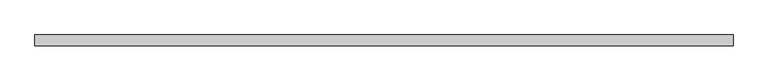
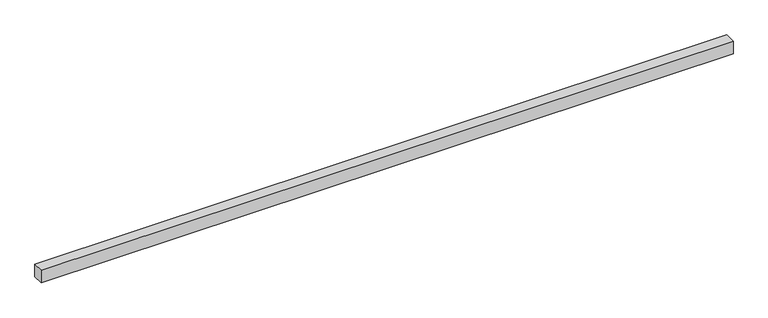
"""IFC4 building model written with IfcOpenShell, lengths in millimetres: proxy geometry."""

import ifcopenshell
import ifcopenshell.guid

model = None  # the IFC model being written
_history = None  # IfcOwnerHistory: only IFC2X3 demands one
_inside = {}  # id of a spatial element -> (the spatial element, [elements in it])
_under = {}  # id of a project, library or spatial element -> (it, [spatial elements below it])
_declared = {}  # id of a project -> (the project, [libraries it declares])
_typed = {}  # id of a type object -> (the type object, [elements of that type])
_made_of = {}  # id of a material, layer set ... -> (it, [elements and type objects made of it])


def new_model(schema):
    """Start an empty IFC model of exactly this schema.

    Asked for "IFC4X3", IfcOpenShell would pick the latest addendum, in which some entities
    have other attributes; the version numbers below select the first issue.
    IFC2X3 requires an IfcOwnerHistory on every rooted entity: one is made here for all.
    """
    global model, _history
    if schema == "IFC4X3":
        model = ifcopenshell.file(schema_version=(4, 3, 0, 0))
    else:
        model = ifcopenshell.file(schema=schema)
    _inside.clear()
    _under.clear()
    _declared.clear()
    _typed.clear()
    _made_of.clear()
    _history = None
    if model.schema == "IFC2X3":
        org = make("IfcOrganization", Name="unknown")
        user = make(
            "IfcPersonAndOrganization",
            ThePerson=make("IfcPerson", FamilyName="unknown"),
            TheOrganization=org,
        )
        app = make(
            "IfcApplication",
            ApplicationDeveloper=org,
            Version="unknown",
            ApplicationFullName="unknown",
            ApplicationIdentifier="unknown",
        )
        _history = make(
            "IfcOwnerHistory",
            OwningUser=user,
            OwningApplication=app,
            ChangeAction="ADDED",
            CreationDate=0,
        )
    return model


def make(cls, **values):
    """One entity of the class cls with the attributes given. An attribute that is None is left unset."""
    return model.create_entity(
        cls, **{name: value for name, value in values.items() if value is not None}
    )


def rooted(cls, **values):
    """An entity with a GlobalId (a new one), such as an element, a storey or a relation."""
    return make(cls, GlobalId=ifcopenshell.guid.new(), OwnerHistory=_history, **values)


def si_unit(unit_type, name, prefix=None):
    """IfcSIUnit, for example si_unit("LENGTHUNIT", "METRE", prefix="MILLI")."""
    return make("IfcSIUnit", UnitType=unit_type, Prefix=prefix, Name=name)


def assignment(units):
    """IfcUnitAssignment: the units of a project."""
    return None if units is None else make("IfcUnitAssignment", Units=units)


def point(xyz):
    """IfcCartesianPoint."""
    return None if xyz is None else make("IfcCartesianPoint", Coordinates=xyz)


def direction(xyz):
    """IfcDirection."""
    return None if xyz is None else make("IfcDirection", DirectionRatios=xyz)


def frame(location, z_axis=None, x_axis=None):
    """IfcAxis2Placement3D, a coordinate frame: its origin and axes. An axis left out is left unset."""
    return make(
        "IfcAxis2Placement3D",
        Location=point(location),
        Axis=direction(z_axis),
        RefDirection=direction(x_axis),
    )


def origin():
    """The frame at (0, 0, 0) with its axes left unset."""
    return frame((0.0, 0.0, 0.0))


def place(relative_to, where):
    """IfcLocalPlacement: puts the frame where relative to a parent placement (None: the world)."""
    return make(
        "IfcLocalPlacement", PlacementRelTo=relative_to, RelativePlacement=where
    )


def context(
    kind, dimensions, precision=None, world=None, true_north=None, identifier=None
):
    """IfcGeometricRepresentationContext, for example the 3D "Model" context."""
    return make(
        "IfcGeometricRepresentationContext",
        ContextIdentifier=identifier,
        ContextType=kind,
        CoordinateSpaceDimension=dimensions,
        Precision=precision,
        WorldCoordinateSystem=world,
        TrueNorth=true_north,
    )


def project(units=None, contexts=None):
    """IfcProject with its units and contexts."""
    return rooted(
        "IfcProject",
        Name="project",
        RepresentationContexts=contexts,
        UnitsInContext=assignment(units),
    )


def spatial(cls, under=None, at=None, **own):
    """A site, building, storey or space (cls), placed at a placement, below another one or the project."""
    s = rooted(cls, ObjectPlacement=at, **own)
    if under is not None:
        _under.setdefault(under.id(), (under, []))[1].append(s)
    return s


def polyline(points):
    """IfcPolyline through the points."""
    return make("IfcPolyline", Points=[point(p) for p in points])


def outline(outer, holes=None, kind="AREA"):
    """IfcArbitraryClosedProfileDef: a profile drawn as a closed curve; with holes, ...WithVoids."""
    if holes is None:
        return make("IfcArbitraryClosedProfileDef", ProfileType=kind, OuterCurve=outer)
    return make(
        "IfcArbitraryProfileDefWithVoids",
        ProfileType=kind,
        OuterCurve=outer,
        InnerCurves=holes,
    )


def extrude(swept, where, along, depth):
    """IfcExtrudedAreaSolid: the profile swept, set in the frame where, extruded along a direction by depth."""
    return make(
        "IfcExtrudedAreaSolid",
        SweptArea=swept,
        Position=where,
        ExtrudedDirection=direction(along),
        Depth=depth,
    )


def shape(context_of_items, identifier, shape_type, items):
    """IfcShapeRepresentation: the items that make up one representation, for example the "Body"."""
    return make(
        "IfcShapeRepresentation",
        ContextOfItems=context_of_items,
        RepresentationIdentifier=identifier,
        RepresentationType=shape_type,
        Items=items,
    )


def source(mapping_origin, context_of_items, identifier, shape_type, items):
    """IfcRepresentationMap: a shape defined once, which mapped items show again and again."""
    return make(
        "IfcRepresentationMap",
        MappingOrigin=mapping_origin,
        MappedRepresentation=shape(context_of_items, identifier, shape_type, items),
    )


def transform(
    local_origin,
    x_axis=None,
    y_axis=None,
    z_axis=None,
    scale=None,
    scale2=None,
    scale3=None,
    uniform=True,
):
    """IfcCartesianTransformationOperator3D, or its non-uniform kind. x_axis, y_axis, z_axis: its Axis1, 2, 3."""
    if uniform:
        return make(
            "IfcCartesianTransformationOperator3D",
            Axis1=direction(x_axis),
            Axis2=direction(y_axis),
            LocalOrigin=point(local_origin),
            Scale=scale,
            Axis3=direction(z_axis),
        )
    return make(
        "IfcCartesianTransformationOperator3DnonUniform",
        Axis1=direction(x_axis),
        Axis2=direction(y_axis),
        LocalOrigin=point(local_origin),
        Scale=scale,
        Axis3=direction(z_axis),
        Scale2=scale2,
        Scale3=scale3,
    )


def mapped(mapping_source, mapping_target):
    """IfcMappedItem: shows the shape of a source again, moved by a transform."""
    return make(
        "IfcMappedItem", MappingSource=mapping_source, MappingTarget=mapping_target
    )


def made_of(thing, what):
    """Note that an element or type object is made of a material, layer set ...; save() writes the relation."""
    if what is not None:
        _made_of.setdefault(what.id(), (what, []))[1].append(thing)
    return thing


def element(
    cls,
    number,
    at=None,
    inside=None,
    cuts=None,
    type_object=None,
    material=None,
    context=None,
    identifier="Body",
    shape_type=None,
    held_by="IfcProductDefinitionShape",
    body=None,
    shapes=None,
    **own,
):
    """One element of the class cls, such as IfcWall. Its Tag is "e" and its number.

    at: its placement. inside: the storey or other place that contains it. cuts: it is an
    opening in that element (IfcRelVoidsElement). A single representation is given by context,
    identifier, shape_type and body (its items); several are given by shapes. held_by: the class
    of the entity that holds the representations. save() writes the other relations.
    """
    e = rooted(cls, Tag="e%d" % number, ObjectPlacement=at, **own)
    if body is not None:
        shapes = [shape(context, identifier, shape_type, body)]
    if shapes is not None:
        e.Representation = make(held_by, Representations=shapes)
    if inside is not None:
        _inside.setdefault(inside.id(), (inside, []))[1].append(e)
    if cuts is not None:
        rooted(
            "IfcRelVoidsElement", RelatingBuildingElement=cuts, RelatedOpeningElement=e
        )
    if type_object is not None:
        _typed.setdefault(type_object.id(), (type_object, []))[1].append(e)
    return made_of(e, material)


def aggregate(whole, parts):
    """IfcRelAggregates: a whole, such as a stair, and the parts it consists of."""
    return rooted("IfcRelAggregates", RelatingObject=whole, RelatedObjects=parts)


def save(model, path):
    """Write the relations noted so far, then the file.

    IfcRelAggregates (storeys below a building ...), IfcRelContainedInSpatialStructure (elements
    in a storey), IfcRelDefinesByType, IfcRelAssociatesMaterial and IfcRelDeclares: one each for
    every whole, place, type object, material and project.
    """
    for whole, parts in _under.values():
        aggregate(whole, parts)
    for where, things in _inside.values():
        rooted(
            "IfcRelContainedInSpatialStructure",
            RelatedElements=things,
            RelatingStructure=where,
        )
    for kind, things in _typed.values():
        rooted("IfcRelDefinesByType", RelatedObjects=things, RelatingType=kind)
    for what, things in _made_of.values():
        rooted("IfcRelAssociatesMaterial", RelatedObjects=things, RelatingMaterial=what)
    for by, libraries in _declared.values():
        rooted("IfcRelDeclares", RelatingContext=by, RelatedDefinitions=libraries)
    model.write(path)


def generic_models_eefa5f27(model_context):
    return source(origin(), model_context, "Body", "SweptSolid", [
        extrude(outline(polyline([(40.0, 0.0), (-40.0, 0.0), (-40.0, 5160.0), (40.0, 5160.0), (40.0, 0.0)])), frame((5160.0, 0.0, 0.0), z_axis=(0.0, -1.9783474858313244e-12, 1.0), x_axis=(0.0, 1.0, 1.9783474858313244e-12)), (0.0, 0.0, 1.0), 100.0),
    ])


if __name__ == "__main__":
    model = new_model("IFC4")
    model_context = context("Model", 3, world=origin())
    ifc_project = project(units=[si_unit("LENGTHUNIT", "METRE", prefix="MILLI")], contexts=[model_context])
    site = spatial("IfcSite", under=ifc_project)
    building = spatial("IfcBuilding", under=site)
    placement = place(None, origin())
    generic_models_shape = generic_models_eefa5f27(model_context)
    element("IfcBuildingElementProxy", 1, Name="Generic Models", at=placement, inside=building, context=model_context, shape_type="MappedRepresentation", body=[
        mapped(generic_models_shape, transform((0.0, 0.0, 0.0), x_axis=(1.0, 0.0, 0.0), y_axis=(0.0, 1.0, 0.0), z_axis=(0.0, 0.0, 1.0))),
    ])
    save(model, "model.ifc")
